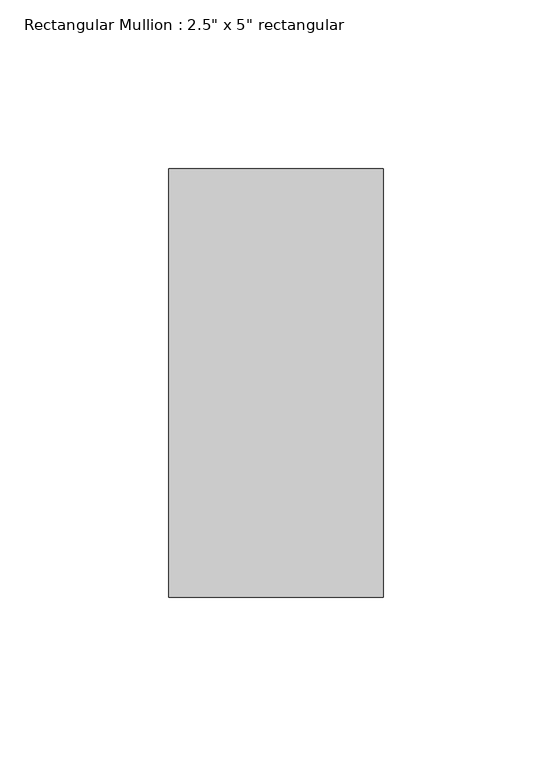
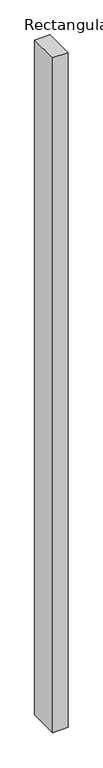
"""IFC4 building model written with IfcOpenShell, lengths in millimetres: member geometry."""

from ifc_helpers import new_model, si_unit, frame, origin, place, context, project, spatial, polyline, outline, extrude, source, transform, mapped, element, save


def member_a9d5b821(model_context):
    return source(origin(), model_context, "Body", "SweptSolid", [
        extrude(outline(polyline([(0.0, 63.5), (0.0, -63.5), (-63.5, -63.5), (-63.5, 63.5), (0.0, 63.5)])), frame((0.0, 0.0, -2923.54), z_axis=(0.0, 0.0, 1.0), x_axis=(1.0, 0.0, 0.0)), (0.0, 0.0, 1.0), 2923.54),
    ])


if __name__ == "__main__":
    model = new_model("IFC4")
    model_context = context("Model", 3, world=origin())
    ifc_project = project(units=[si_unit("LENGTHUNIT", "METRE", prefix="MILLI")], contexts=[model_context])
    site = spatial("IfcSite", under=ifc_project)
    building = spatial("IfcBuilding", under=site)
    placement = place(None, origin())
    member_shape = member_a9d5b821(model_context)
    element("IfcMember", 1, ObjectType="Rectangular Mullion : 2.5\" x 5\" rectangular", at=placement, inside=building, context=model_context, shape_type="MappedRepresentation", body=[
        mapped(member_shape, transform((0.0, 0.0, 0.0), x_axis=(1.0, 0.0, 0.0), y_axis=(0.0, 1.0, 0.0), z_axis=(0.0, 0.0, 1.0))),
    ])
    save(model, "model.ifc")
